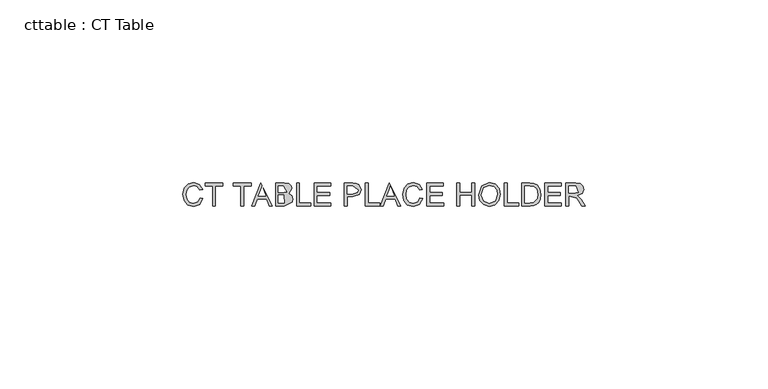
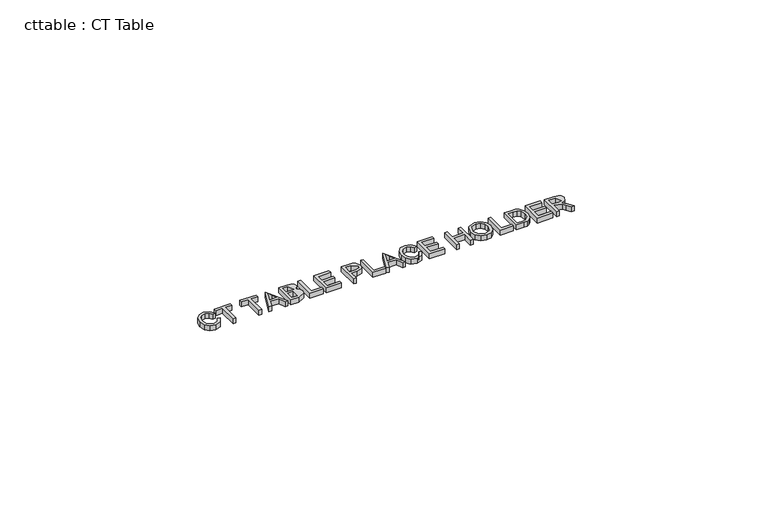
"""IFC4 building model written with IfcOpenShell, lengths in millimetres: proxy geometry, cttable : CT Table."""

from ifc_helpers import new_model, si_unit, origin, origin_with_axes, place, context, project, spatial, polyline, outline, extrude, source, transform, mapped, element, save


def cttable_ct_table_b628e38a(model_context):
    return source(origin(), model_context, "Body", "SweptSolid", [
        extrude(outline(polyline([(-44.5025905, -148.9014406), (-43.721052, -149.102931), (-44.6476025, -150.6789827), (-46.2839486, -151.2216329), (-47.9103729, -150.81102), (-48.8643994, -149.6219214), (-49.1918212, -147.9504671), (-48.821659, -146.2515368), (-47.769177, -145.1502087), (-46.2671578, -144.7739406), (-44.7017912, -145.2608757), (-43.8187443, -146.6316209), (-44.6002828, -146.8178469), (-45.2413885, -145.8569515), (-46.2976866, -145.5554791), (-47.5203669, -145.88977), (-48.2110821, -146.787318), (-48.4102828, -147.9489406), (-48.1744474, -149.2952627), (-47.4402287, -150.155413), (-46.3617972, -150.4400945), (-45.1658297, -150.0523781), (-44.5025905, -148.9014406)])), origin_with_axes(), (0.0, 0.0, 1.0), 1.5875),
        extrude(outline(polyline([(-41.0833597, -151.1239406), (-41.0833597, -145.6531714), (-43.1348982, -145.6531714), (-43.1348982, -144.8716329), (-38.2502828, -144.8716329), (-38.2502828, -145.6531714), (-40.3018212, -145.6531714), (-40.3018212, -151.1239406), (-41.0833597, -151.1239406)])), origin_with_axes(), (0.0, 0.0, 1.0), 1.5875),
        extrude(outline(polyline([(-33.3656674, -151.1239406), (-33.3656674, -145.6531714), (-35.4172059, -145.6531714), (-35.4172059, -144.8716329), (-30.5325905, -144.8716329), (-30.5325905, -145.6531714), (-32.5841289, -145.6531714), (-32.5841289, -151.1239406), (-33.3656674, -151.1239406)])), origin_with_axes(), (0.0, 0.0, 1.0), 1.5875),
        extrude(outline(polyline([(-30.3814727, -151.1239406), (-27.8857395, -144.8716329), (-24.7244775, -151.1239406), (-25.5502828, -151.1239406), (-26.2661842, -149.1700945), (-28.8412924, -149.1700945), (-29.5556674, -151.1239406), (-30.3814727, -151.1239406)]), holes=[polyline([(-28.5543212, -148.388556), (-26.5516289, -148.388556), (-27.1148861, -146.8514286), (-27.5529751, -145.6531714), (-27.9422179, -146.7171017), (-28.5543212, -148.388556)])]), origin_with_axes(), (0.0, 0.0, 1.0), 1.5875),
        extrude(outline(polyline([(-23.8895135, -151.1239406), (-23.8895135, -144.8716329), (-21.5036842, -144.8716329), (-20.3351926, -145.0555692), (-19.6452407, -145.6211161), (-19.3956674, -146.4209719), (-20.23979, -147.7047099), (-19.4696998, -148.2878108), (-19.2002828, -149.2601546), (-19.3842191, -150.1004611), (-21.5220015, -151.1239406), (-23.8895135, -151.1239406)]), holes=[polyline([(-23.1079751, -147.4116329), (-21.6807515, -147.4116329), (-20.847314, -147.3444695), (-21.7891289, -145.6531714), (-23.1079751, -145.6531714), (-23.1079751, -147.4116329)]), polyline([(-23.1079751, -150.3424022), (-21.5052107, -150.3424022), (-21.5815328, -148.1931714), (-23.1079751, -148.1931714), (-23.1079751, -150.3424022)])]), origin_with_axes(), (0.0, 0.0, 1.0), 1.5875),
        extrude(outline(polyline([(-18.1256674, -151.1239406), (-18.1256674, -144.8716329), (-17.3441289, -144.8716329), (-17.3441289, -150.3424022), (-14.2179751, -150.3424022), (-14.2179751, -151.1239406), (-18.1256674, -151.1239406)])), origin_with_axes(), (0.0, 0.0, 1.0), 1.5875),
        extrude(outline(polyline([(-13.3387443, -151.1239406), (-13.3387443, -144.8716329), (-8.8448982, -144.8716329), (-8.8448982, -145.6531714), (-12.5572059, -145.6531714), (-12.5572059, -147.5093252), (-9.0402828, -147.5093252), (-9.0402828, -148.2908637), (-12.5572059, -148.2908637), (-12.5572059, -150.3424022), (-8.7472059, -150.3424022), (-8.7472059, -151.1239406), (-13.3387443, -151.1239406)])), origin_with_axes(), (0.0, 0.0, 1.0), 1.5875),
        extrude(outline(polyline([(-5.1325905, -151.1239406), (-5.1325905, -144.8716329), (-2.815451, -144.8716329), (-1.8812684, -144.9311642), (-1.1218633, -145.2234779), (-0.4433597, -146.6804671), (-0.9463224, -148.0313685), (-2.7620256, -148.5839406), (-4.351052, -148.5839406), (-4.351052, -151.1239406), (-5.1325905, -151.1239406)]), holes=[polyline([(-4.351052, -147.8024022), (-2.7162323, -147.8024022), (-1.5652948, -147.515431), (-1.2248982, -146.707943), (-2.7345496, -145.6531714), (-4.351052, -145.6531714), (-4.351052, -147.8024022)])]), origin_with_axes(), (0.0, 0.0, 1.0), 1.5875),
        extrude(outline(polyline([(0.6312557, -151.1239406), (0.6312557, -144.8716329), (1.4127941, -144.8716329), (1.4127941, -150.3424022), (4.538948, -150.3424022), (4.538948, -151.1239406), (0.6312557, -151.1239406)])), origin_with_axes(), (0.0, 0.0, 1.0), 1.5875),
        extrude(outline(polyline([(4.6900658, -151.1239406), (7.185799, -144.8716329), (10.347061, -151.1239406), (9.5212557, -151.1239406), (8.8053542, -149.1700945), (6.2302461, -149.1700945), (5.5158711, -151.1239406), (4.6900658, -151.1239406)]), holes=[polyline([(6.5172172, -148.388556), (8.5199095, -148.388556), (7.9566523, -146.8514286), (7.5185634, -145.6531714), (7.1293206, -146.7171017), (6.5172172, -148.388556)])]), origin_with_axes(), (0.0, 0.0, 1.0), 1.5875),
        extrude(outline(polyline([(15.5781788, -148.9014406), (16.3597172, -149.102931), (15.4331667, -150.6789827), (13.7968206, -151.2216329), (12.1703963, -150.81102), (11.2163699, -149.6219214), (10.888948, -147.9504671), (11.2591103, -146.2515368), (12.3115922, -145.1502087), (13.8136115, -144.7739406), (15.378978, -145.2608757), (16.2620249, -146.6316209), (15.4804865, -146.8178469), (14.8393807, -145.8569515), (13.7830826, -145.5554791), (12.5604023, -145.88977), (11.8696872, -146.787318), (11.6704865, -147.9489406), (11.9063218, -149.2952627), (12.6405405, -150.155413), (13.718972, -150.4400945), (14.9149396, -150.0523781), (15.5781788, -148.9014406)])), origin_with_axes(), (0.0, 0.0, 1.0), 1.5875),
        extrude(outline(polyline([(17.4343326, -151.1239406), (17.4343326, -144.8716329), (21.9281788, -144.8716329), (21.9281788, -145.6531714), (18.2158711, -145.6531714), (18.2158711, -147.5093252), (21.7327941, -147.5093252), (21.7327941, -148.2908637), (18.2158711, -148.2908637), (18.2158711, -150.3424022), (22.0258711, -150.3424022), (22.0258711, -151.1239406), (17.4343326, -151.1239406)])), origin_with_axes(), (0.0, 0.0, 1.0), 1.5875),
        extrude(outline(polyline([(25.6404865, -151.1239406), (25.6404865, -144.8716329), (26.4220249, -144.8716329), (26.4220249, -147.4116329), (29.7435634, -147.4116329), (29.7435634, -144.8716329), (30.5251018, -144.8716329), (30.5251018, -151.1239406), (29.7435634, -151.1239406), (29.7435634, -148.1931714), (26.4220249, -148.1931714), (26.4220249, -151.1239406), (25.6404865, -151.1239406)])), origin_with_axes(), (0.0, 0.0, 1.0), 1.5875),
        extrude(outline(polyline([(31.5997172, -148.0802147), (32.4331547, -145.651645), (34.5839119, -144.7739406), (36.1393566, -145.1860801), (37.1956547, -146.3354911), (37.558948, -148.0084719), (37.1765742, -149.7043493), (36.0928002, -150.8369695), (34.5793326, -151.2216329), (33.007097, -150.7965188), (31.9569047, -149.6364226), (31.5997172, -148.0802147)]), holes=[polyline([(32.3812557, -148.0878469), (33.0063338, -149.8112002), (34.5747533, -150.4400945), (36.1569107, -149.8050945), (36.7774095, -148.0023661), (36.5118086, -146.7125224), (35.7356127, -145.8584779), (34.5884913, -145.5554791), (33.0330465, -146.1393433), (32.3812557, -148.0878469)])]), origin_with_axes(), (0.0, 0.0, 1.0), 1.5875),
        extrude(outline(polyline([(38.6335634, -151.1239406), (38.6335634, -144.8716329), (39.4151018, -144.8716329), (39.4151018, -150.3424022), (42.5412557, -150.3424022), (42.5412557, -151.1239406), (38.6335634, -151.1239406)])), origin_with_axes(), (0.0, 0.0, 1.0), 1.5875),
        extrude(outline(polyline([(43.4204865, -151.1239406), (43.4204865, -144.8716329), (45.5773494, -144.8716329), (46.6931788, -144.961693), (47.612097, -145.4089406), (48.3524215, -146.4774502), (48.5981788, -147.9642051), (48.4317965, -149.2258096), (48.0043927, -150.1363325), (47.4335033, -150.7034058), (46.6863098, -151.0170897), (45.6811475, -151.1239406), (43.4204865, -151.1239406)]), holes=[polyline([(44.2020249, -150.3424022), (45.5849816, -150.3424022), (46.5909071, -150.2294454), (47.646442, -149.1342231), (47.8166403, -147.9519935), (47.4831127, -146.4713445), (46.6718086, -145.7783397), (45.5636115, -145.6531714), (44.2020249, -145.6531714), (44.2020249, -150.3424022)])]), origin_with_axes(), (0.0, 0.0, 1.0), 1.5875),
        extrude(outline(polyline([(49.6727941, -151.1239406), (49.6727941, -144.8716329), (54.1666403, -144.8716329), (54.1666403, -145.6531714), (50.4543326, -145.6531714), (50.4543326, -147.5093252), (53.9712557, -147.5093252), (53.9712557, -148.2908637), (50.4543326, -148.2908637), (50.4543326, -150.3424022), (54.2643326, -150.3424022), (54.2643326, -151.1239406), (49.6727941, -151.1239406)])), origin_with_axes(), (0.0, 0.0, 1.0), 1.5875),
        extrude(outline(polyline([(55.4366403, -151.1239406), (55.4366403, -144.8716329), (58.130811, -144.8716329), (59.3817304, -145.0403048), (60.0655766, -145.6371438), (60.3212557, -146.5827748), (59.8976679, -147.7092892), (58.5887437, -148.2908637), (59.6664119, -149.4295897), (60.708972, -151.1239406), (59.8007389, -151.1239406), (58.9871451, -149.8279911), (58.3994648, -148.9701305), (56.2181788, -148.388556), (56.2181788, -151.1239406), (55.4366403, -151.1239406)]), holes=[polyline([(56.2181788, -147.6070176), (57.9674816, -147.6070176), (58.8596872, -147.4963505), (58.1643927, -145.6531714), (56.2181788, -145.6531714), (56.2181788, -147.6070176)])]), origin_with_axes(), (0.0, 0.0, 1.0), 1.5875),
    ])


if __name__ == "__main__":
    model = new_model("IFC4")
    model_context = context("Model", 3, world=origin())
    ifc_project = project(units=[si_unit("LENGTHUNIT", "METRE", prefix="MILLI")], contexts=[model_context])
    site = spatial("IfcSite", under=ifc_project)
    building = spatial("IfcBuilding", under=site)
    placement = place(None, origin())
    cttable_ct_table_shape = cttable_ct_table_b628e38a(model_context)
    element("IfcBuildingElementProxy", 1, Name="cttable : CT Table", ObjectType="cttable : CT Table", at=placement, inside=building, context=model_context, shape_type="MappedRepresentation", body=[
        mapped(cttable_ct_table_shape, transform((0.0, 0.0, 0.0), x_axis=(1.0, 0.0, 0.0), y_axis=(0.0, 1.0, 0.0), z_axis=(0.0, 0.0, 1.0))),
    ])
    save(model, "model.ifc")
